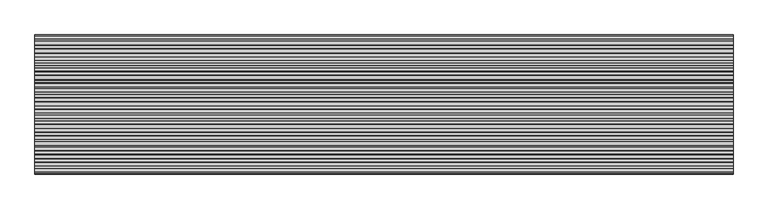
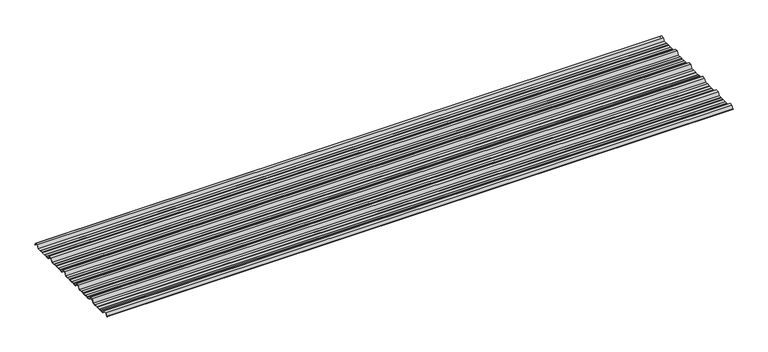
"""IFC4 building model written with IfcOpenShell, lengths in millimetres: beam geometry."""

from ifc_helpers import new_model, si_unit, point, frame, frame_2d, origin, place, context, project, spatial, polyline, circle_curve, trimmed, segment, composite_curve, outline, extrude, source, transform, mapped, element, save


def beam_3ba6040c(model_context):
    return source(origin(), model_context, "Body", "SweptSolid", [
        extrude(outline(composite_curve([segment(polyline([(-41.155409, -25.7896475), (-45.2820109, -23.7896475), (-62.8888461, -23.7896475), (-66.1530101, -25.7896475), (-88.4400183, -25.7896475), (-91.4814768, -23.7896475), (-107.1472807, -23.7896475), (-110.1909225, -25.7896475), (-130.513361, -25.7896475), (-142.4987169, -4.7896475), (-161.4999361, -4.7896475), (-173.513361, -25.7896475), (-193.155409, -25.7896475), (-197.2820109, -23.7896475), (-214.8888461, -23.7896475), (-218.1530101, -25.7896475), (-240.4400183, -25.7896475), (-243.4814768, -23.7896475), (-259.1472807, -23.7896475), (-262.1909225, -25.7896475), (-282.513361, -25.7896475), (-294.4987169, -4.7896475), (-313.4999361, -4.7896475), (-325.513361, -25.7896475), (-345.155409, -25.7896475), (-349.2820109, -23.7896475), (-366.8888461, -23.7896475), (-370.1530101, -25.7896475), (-392.4400183, -25.7896475), (-395.4814768, -23.7896475), (-411.1472807, -23.7896475), (-414.1909225, -25.7896475), (-434.513361, -25.7896475), (-446.4987169, -4.7896475), (-465.4999361, -4.7896475), (-477.513361, -25.7896475), (-497.155409, -25.7896475), (-501.2820109, -23.7896475), (-518.8888461, -23.7896475), (-522.1530101, -25.7896475), (-544.4400183, -25.7896475), (-547.4814768, -23.7896475), (-563.1472807, -23.7896475), (-566.1909225, -25.7896475), (-586.513361, -25.7896475), (-598.4987169, -4.7896475), (-617.4999361, -4.7896475), (-629.513361, -25.7896475), (-649.155409, -25.7896475), (-653.2820109, -23.7896475), (-670.8888461, -23.7896475), (-674.1530101, -25.7896475), (-696.4400183, -25.7896475), (-699.4814768, -23.7896475), (-715.1472807, -23.7896475), (-718.1909225, -25.7896475), (-738.513361, -25.7896475), (-750.4987169, -4.7896475), (-769.4999361, -4.7896475), (-780.3692253, -23.7896475), (-783.804755, -23.7896475)]), True, "CONTINUOUS"), segment(trimmed(circle_curve(frame_2d((-783.804755, -23.2896475)), 0.5), [point((-783.804755, -23.7896475))], [point((-783.804755, -22.7896475))], False, "CARTESIAN"), True, "CONTINUOUS"), segment(polyline([(-783.804755, -22.7896475), (-780.8686157, -22.7896475), (-769.9993265, -3.7896475), (-749.9993265, -3.7896475), (-738.0139706, -24.7896475), (-718.4900736, -24.7896475), (-715.4464317, -22.7896475), (-699.1821463, -22.7896475), (-696.1406878, -24.7896475), (-674.4350053, -24.7896475), (-671.1708413, -22.7896475), (-653.0524511, -22.7896475), (-648.9258491, -24.7896475), (-630.0127514, -24.7896475), (-617.9993265, -3.7896475), (-597.9993265, -3.7896475), (-586.0139706, -24.7896475), (-566.4900736, -24.7896475), (-563.4464317, -22.7896475), (-547.1821463, -22.7896475), (-544.1406878, -24.7896475), (-522.4350053, -24.7896475), (-519.1708413, -22.7896475), (-501.0524511, -22.7896475), (-496.9258491, -24.7896475), (-478.0127514, -24.7896475), (-465.9993265, -3.7896475), (-445.9993265, -3.7896475), (-434.0139706, -24.7896475), (-414.4900736, -24.7896475), (-411.4464317, -22.7896475), (-395.1821463, -22.7896475), (-392.1406878, -24.7896475), (-370.4350053, -24.7896475), (-367.1708413, -22.7896475), (-349.0524511, -22.7896475), (-344.9258491, -24.7896475), (-326.0127514, -24.7896475), (-313.9993265, -3.7896475), (-293.9993265, -3.7896475), (-282.0139706, -24.7896475), (-262.4900736, -24.7896475), (-259.4464317, -22.7896475), (-243.1821463, -22.7896475), (-240.1406878, -24.7896475), (-218.4350053, -24.7896475), (-215.1708413, -22.7896475), (-197.0524511, -22.7896475), (-192.9258491, -24.7896475), (-174.0127514, -24.7896475), (-161.9993265, -3.7896475), (-141.9993265, -3.7896475), (-130.0139706, -24.7896475), (-110.4900736, -24.7896475), (-107.4464317, -22.7896475), (-91.1821463, -22.7896475), (-88.1406878, -24.7896475), (-66.4350053, -24.7896475), (-63.1708413, -22.7896475), (-45.0524511, -22.7896475), (-40.9258491, -24.7896475), (-19.7086146, -24.7896475), (-8.8393254, -5.7896475), (8.8393254, -5.7896475), (16.8315702, -19.793165)]), True, "CONTINUOUS"), segment(trimmed(circle_curve(frame_2d((16.4279743, -20.0235098)), 0.4647024), [point((16.8315702, -19.793165))], [point((16.0243785, -20.2538545))], False, "CARTESIAN"), True, "CONTINUOUS"), segment(polyline([(16.0243785, -20.2538545), (8.339935, -6.7896475), (-8.339935, -6.7896475), (-19.2092242, -25.7896475), (-41.155409, -25.7896475)]), True, "CONTINUOUS")], self_intersect=False)), frame((-2009.6447762, 0.0, 0.0), z_axis=(1.0, 0.0, 0.0), x_axis=(0.0, 1.0, 0.0)), (0.0, 0.0, 1.0), 4019.2895524),
    ])


if __name__ == "__main__":
    model = new_model("IFC4")
    model_context = context("Model", 3, world=origin())
    ifc_project = project(units=[si_unit("LENGTHUNIT", "METRE", prefix="MILLI")], contexts=[model_context])
    site = spatial("IfcSite", under=ifc_project)
    building = spatial("IfcBuilding", under=site)
    placement = place(None, origin())
    beam_shape = beam_3ba6040c(model_context)
    element("IfcBeam", 1, at=placement, inside=building, context=model_context, shape_type="MappedRepresentation", body=[
        mapped(beam_shape, transform((0.0, 0.0, 0.0), x_axis=(1.0, 0.0, 0.0), y_axis=(0.0, 1.0, 0.0), z_axis=(0.0, 0.0, 1.0))),
    ])
    save(model, "model.ifc")
